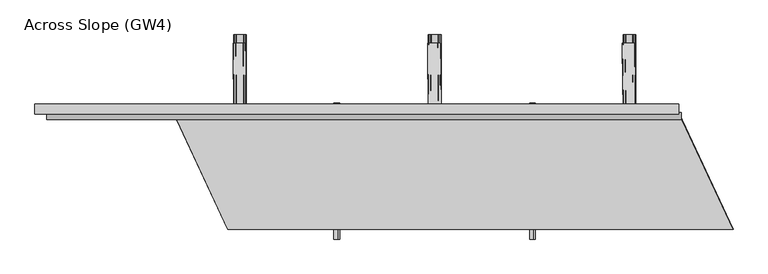
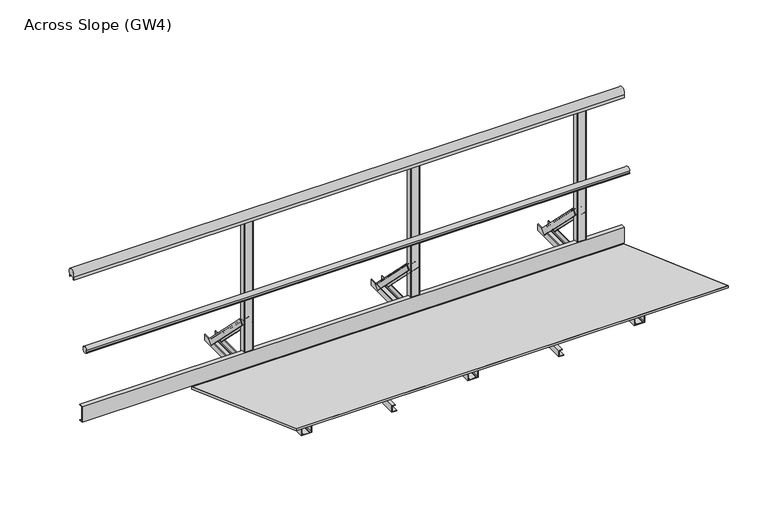
"""IFC4 building model written with IfcOpenShell, lengths in millimetres: proxy geometry, Across Slope (GW4)."""

from ifc_helpers import new_model, si_unit, point, frame, frame_2d, origin, origin_with_axes, place, context, project, spatial, polyline, circle_curve, trimmed, segment, composite_curve, outline, extrude, source, transform, mapped, element, save
from ifc_brep_helpers import plane_surface, extruded_surface, advanced_brep


def across_slope_gw4_3b74d76a(model_context):
    return source(origin(), model_context, "Body", "SolidModel", [
        extrude(outline(polyline([(622.0, 63.0), (597.0, 63.0), (597.0, 163.0), (622.0, 163.0), (622.0, 160.0), (600.0, 160.0), (600.0, 66.0), (622.0, 66.0), (622.0, 63.0)])), frame((-660.0, 0.0, 0.0), z_axis=(1.0, 0.0, 0.0), x_axis=(0.0, 1.0, 0.0)), (0.0, 0.0, 1.0), 3252.9381096),
        extrude(outline(composite_curve([segment(polyline([(565.7, 520.617273), (569.7, 520.617273), (569.7, 535.382727), (565.7, 535.382727)]), True, "CONTINUOUS"), segment(trimmed(circle_curve(frame_2d((584.287505, 528.0)), 20.0), [point((565.7, 535.382727))], [point((600.0, 540.3740657))], False, "CARTESIAN"), True, "CONTINUOUS"), segment(polyline([(600.0, 540.3740657), (600.0, 515.6259343)]), True, "CONTINUOUS"), segment(trimmed(circle_curve(frame_2d((584.287505, 528.0)), 20.0), [point((600.0, 515.6259343))], [point((565.7, 520.617273))], False, "CARTESIAN"), True, "CONTINUOUS")], self_intersect=False)), frame((-650.0, 0.0, 0.0), z_axis=(1.0, 0.0, 0.0), x_axis=(0.0, 1.0, 0.0)), (0.0, 0.0, 1.0), 3257.9381096),
        extrude(outline(composite_curve([segment(polyline([(640.0, 1001.43534), (640.0, 983.0), (639.0, 983.0), (639.0, 998.0), (599.0, 998.0), (599.0, 983.0), (598.0, 983.0), (598.0, 1001.43534)]), True, "CONTINUOUS"), segment(trimmed(circle_curve(frame_2d((619.0, 1015.0)), 25.0), [point((598.0, 1001.43534))], [point((640.0, 1001.43534))], False, "CARTESIAN"), True, "CONTINUOUS")], self_intersect=False)), frame((-710.0, 0.0, 0.0), z_axis=(1.0, 0.0, 0.0), x_axis=(0.0, 1.0, 0.0)), (0.0, 0.0, 1.0), 3302.9381096),
        extrude(outline(polyline([(2e-07, 1858.2035822), (2.0000002, 1858.2035822), (2.0000002, 1830.2035822), (38.0000002, 1830.2035822), (38.0000002, 1848.2035822), (40.0000002, 1848.2035822), (40.0000002, 1828.2035822), (2e-07, 1828.2035822), (2e-07, 1858.2035822)])), frame((0.0, -50.0, 0.0), z_axis=(0.0, 1.0, 0.0), x_axis=(0.0, 0.0, 1.0)), (0.0, 0.0, 1.0), 700.0),
        extrude(outline(polyline([(2e-07, 854.7345274), (2.0000002, 854.7345274), (2.0000002, 826.7345274), (38.0000002, 826.7345274), (38.0000002, 844.7345274), (40.0000002, 844.7345274), (40.0000002, 824.7345274), (2e-07, 824.7345274), (2e-07, 854.7345274)])), frame((0.0, -50.0, 0.0), z_axis=(0.0, 1.0, 0.0), x_axis=(0.0, 0.0, 1.0)), (0.0, 0.0, 1.0), 700.0),
        extrude(outline(composite_curve([segment(polyline([(1364.4690548, 600.0), (1318.4690548, 600.0)]), True, "CONTINUOUS"), segment(trimmed(circle_curve(frame_2d((1318.4690548, 605.0)), 5.0), [point((1318.4690548, 600.0))], [point((1313.4690548, 605.0))], False, "CARTESIAN"), True, "CONTINUOUS"), segment(polyline([(1313.4690548, 605.0), (1313.4690548, 633.0)]), True, "CONTINUOUS"), segment(trimmed(circle_curve(frame_2d((1318.4690548, 633.0)), 5.0), [point((1313.4690548, 633.0))], [point((1318.4690548, 638.0))], False, "CARTESIAN"), True, "CONTINUOUS"), segment(polyline([(1318.4690548, 638.0), (1364.4690548, 638.0)]), True, "CONTINUOUS"), segment(trimmed(circle_curve(frame_2d((1364.4690548, 633.0)), 5.0), [point((1364.4690548, 638.0))], [point((1369.4690548, 633.0))], False, "CARTESIAN"), True, "CONTINUOUS"), segment(polyline([(1369.4690548, 633.0), (1369.4690548, 605.0)]), True, "CONTINUOUS"), segment(trimmed(circle_curve(frame_2d((1364.4690548, 605.0)), 5.0), [point((1369.4690548, 605.0))], [point((1364.4690548, 600.0))], False, "CARTESIAN"), True, "CONTINUOUS")], self_intersect=False)), origin_with_axes(), (0.0, 0.0, 1.0), 998.0),
        advanced_brep(
        [(1305.9690548, 956.2087394, 38.0), (1370.9690548, 956.2087394, 38.0), (1370.9690548, 930.3993419, 12.1906025), (1367.9690548, 930.3993419, 12.1906025), (1367.9690548, 954.0874191, 35.8786797), (1357.9690548, 954.0874191, 35.8786797), (1357.9690548, 952.3196521, 34.1109127), (1356.9690548, 952.3196521, 34.1109127), (1356.9690548, 954.0874191, 35.8786797), (1319.9690548, 954.0874191, 35.8786797), (1319.9690548, 952.3196521, 34.1109127), (1318.9690548, 952.3196521, 34.1109127), (1318.9690548, 954.0874191, 35.8786797), (1308.9690548, 954.0874191, 35.8786797), (1308.9690548, 930.3993419, 12.1906025), (1305.9690548, 930.3993419, 12.1906025), (1308.9690548, 638.0106879, 356.1980516), (1308.9690548, 612.2012904, 330.3886541), (1311.9690548, 612.2012904, 330.3886541), (1311.9690548, 635.8893676, 354.0767312), (1321.9690548, 635.8893676, 354.0767312), (1321.9690548, 634.1216006, 352.3089643), (1322.9690548, 634.1216006, 352.3089643), (1322.9690548, 635.8893676, 354.0767312), (1359.9690548, 635.8893676, 354.0767312), (1359.9690548, 634.1216006, 352.3089643), (1360.9690548, 634.1216006, 352.3089643), (1360.9690548, 635.8893676, 354.0767312), (1370.9690548, 635.8893676, 354.0767312), (1370.9690548, 612.2012904, 330.3886541), (1373.9690548, 612.2012904, 330.3886541), (1373.9690548, 638.0106879, 356.1980516)],
        [
            (0, 1),
            (1, 2),
            (2, 3, circle_curve(frame((1369.4690548, 930.3993419, 12.1906025), z_axis=(0.0, 0.7071067811865434, -0.7071067811865518), x_axis=(0.0, -0.7071067811865518, -0.7071067811865434)), 1.5)),
            (3, 4),
            (4, 5),
            (5, 6),
            (6, 7, circle_curve(frame((1357.4690548, 952.3196521, 34.1109127), z_axis=(0.0, 0.7071067811865434, -0.7071067811865518), x_axis=(0.0, -0.7071067811865518, -0.7071067811865434)), 0.5)),
            (7, 8),
            (8, 9),
            (9, 10),
            (10, 11, circle_curve(frame((1319.4690548, 952.3196521, 34.1109127), z_axis=(0.0, 0.7071067811865434, -0.7071067811865518), x_axis=(0.0, -0.7071067811865518, -0.7071067811865434)), 0.5)),
            (11, 12),
            (12, 13),
            (13, 14),
            (14, 15, circle_curve(frame((1307.4690548, 930.3993419, 12.1906025), z_axis=(0.0, 0.7071067811865434, -0.7071067811865518), x_axis=(0.0, -0.7071067811865518, -0.7071067811865434)), 1.5)),
            (15, 0),
            (16, 17),
            (17, 18, circle_curve(frame((1310.4690548, 612.2012904, 330.3886541), z_axis=(0.0, -0.7071067811865434, 0.7071067811865518), x_axis=(0.0, -0.7071067811865518, -0.7071067811865434)), 1.5)),
            (18, 19),
            (19, 20),
            (20, 21),
            (21, 22, circle_curve(frame((1322.4690548, 634.1216006, 352.3089643), z_axis=(0.0, -0.7071067811865434, 0.7071067811865518), x_axis=(0.0, -0.7071067811865518, -0.7071067811865434)), 0.5)),
            (22, 23),
            (23, 24),
            (24, 25),
            (25, 26, circle_curve(frame((1360.4690548, 634.1216006, 352.3089643), z_axis=(0.0, -0.7071067811865434, 0.7071067811865518), x_axis=(0.0, -0.7071067811865518, -0.7071067811865434)), 0.5)),
            (26, 27),
            (27, 28),
            (28, 29),
            (29, 30, circle_curve(frame((1372.4690548, 612.2012904, 330.3886541), z_axis=(0.0, -0.7071067811865434, 0.7071067811865518), x_axis=(0.0, -0.7071067811865518, -0.7071067811865434)), 1.5)),
            (30, 31),
            (31, 16),
            (16, 0),
            (15, 17),
            (14, 18),
            (13, 19),
            (12, 20),
            (11, 21),
            (10, 22),
            (9, 23),
            (8, 24),
            (7, 25),
            (6, 26),
            (5, 27),
            (4, 28),
            (3, 29),
            (2, 30),
            (1, 31),
        ],
        [
            plane_surface(frame((1338.4690548, 947.9886231, 29.7798837), z_axis=(0.0, 0.7071067811865431, -0.7071067811865519), x_axis=(0.0, -0.7071067811865519, -0.7071067811865431))),
            plane_surface(frame((1341.4690548, 629.7905716, 347.9779352), z_axis=(0.0, -0.7071067811865432, 0.7071067811865518), x_axis=(0.0, -0.7071067811865518, -0.7071067811865432))),
            plane_surface(frame((1308.9690548, 625.1059891, 343.2933528), z_axis=(-0.9999777785184911, -0.004713940454842056, 0.00471394045484199), x_axis=(0.0, -0.7071067811865519, -0.7071067811865431))),
            extruded_surface(trimmed(circle_curve(frame((1307.4690548, 930.3993419, 12.1906025), z_axis=(0.0, -0.7071067811865434, 0.7071067811865518), x_axis=(0.0, -0.7071067811865518, -0.7071067811865434)), 1.5), [point((1305.9690548, 930.3993419, 12.1906025))], [point((1308.9690548, 930.3993419, 12.1906025))], True, "CARTESIAN"), (3.0, -318.1980515, 318.1980516), 450.0099999115941),
            plane_surface(frame((1311.9690548, 624.045329, 342.2326926), z_axis=(0.9999777785184913, 0.004713940454842056, -0.004713940454841989), x_axis=(0.0, 0.707106781186552, 0.7071067811865432))),
            plane_surface(frame((1316.9690548, 635.8893676, 354.0767312), z_axis=(0.0, -0.7071067811865522, -0.7071067811865428), x_axis=(1.0, 0.0, 0.0))),
            plane_surface(frame((1321.9690548, 635.0054841, 353.1928478), z_axis=(-0.9999777785184911, -0.004713940454842032, 0.004713940454842015), x_axis=(0.0, -0.7071067811865557, -0.7071067811865394))),
            extruded_surface(trimmed(circle_curve(frame((1319.4690548, 952.3196521, 34.1109127), z_axis=(0.0, -0.7071067811865434, 0.7071067811865518), x_axis=(0.0, -0.7071067811865518, -0.7071067811865434)), 0.5), [point((1318.9690548, 952.3196521, 34.1109127))], [point((1319.9690548, 952.3196521, 34.1109127))], True, "CARTESIAN"), (3.0, -318.1980515, 318.1980516), 450.0099999115941),
            plane_surface(frame((1322.9690548, 635.0054841, 353.1928478), z_axis=(0.9999777785184911, 0.004713940454842046, -0.004713940454842029), x_axis=(0.0, 0.7071067811865557, 0.7071067811865394))),
            plane_surface(frame((1341.4690548, 635.8893676, 354.0767312), z_axis=(0.0, -0.7071067811865522, -0.7071067811865428), x_axis=(1.0, 0.0, 0.0))),
            plane_surface(frame((1359.9690548, 635.0054841, 353.1928478), z_axis=(-0.9999777785184911, -0.004713940454842039, 0.004713940454842022), x_axis=(0.0, -0.7071067811865557, -0.7071067811865394))),
            extruded_surface(trimmed(circle_curve(frame((1357.4690548, 952.3196521, 34.1109127), z_axis=(0.0, -0.7071067811865434, 0.7071067811865518), x_axis=(0.0, -0.7071067811865518, -0.7071067811865434)), 0.5), [point((1356.9690548, 952.3196521, 34.1109127))], [point((1357.9690548, 952.3196521, 34.1109127))], True, "CARTESIAN"), (3.0, -318.1980515, 318.1980516), 450.0099999115941),
            plane_surface(frame((1360.9690548, 635.0054841, 353.1928478), z_axis=(0.9999777785184911, 0.004713940454842066, -0.004713940454841993), x_axis=(0.0, 0.7071067811865515, 0.7071067811865436))),
            plane_surface(frame((1365.9690548, 635.8893676, 354.0767312), z_axis=(0.0, -0.707106781186552, -0.707106781186543), x_axis=(1.0, 0.0, 0.0))),
            plane_surface(frame((1370.9690548, 624.045329, 342.2326926), z_axis=(-0.9999777785184913, -0.004713940454842063, 0.004713940454841996), x_axis=(0.0, -0.707106781186552, -0.7071067811865432))),
            extruded_surface(trimmed(circle_curve(frame((1369.4690548, 930.3993419, 12.1906025), z_axis=(0.0, -0.7071067811865434, 0.7071067811865518), x_axis=(0.0, -0.7071067811865518, -0.7071067811865434)), 1.5), [point((1367.9690548, 930.3993419, 12.1906025))], [point((1370.9690548, 930.3993419, 12.1906025))], True, "CARTESIAN"), (3.0, -318.1980515, 318.1980516), 450.0099999115941),
            plane_surface(frame((1373.9690548, 625.1059891, 343.2933528), z_axis=(0.9999777785184911, 0.004713940454842065, -0.0047139404548419955), x_axis=(0.0, 0.7071067811865517, 0.7071067811865434))),
            plane_surface(frame((1341.4690548, 638.0106879, 356.1980516), z_axis=(0.0, 0.7071067811865523, 0.7071067811865427), x_axis=(-1.0, 0.0, 0.0))),
        ],
        [
            (0, [[1, 2, 3, 4, 5, 6, 7, 8, 9, 10, 11, 12, 13, 14, 15, 16]]),
            (1, [[17, 18, 19, 20, 21, 22, 23, 24, 25, 26, 27, 28, 29, 30, 31, 32]]),
            (2, [[33, -16, 34, -17]]),
            (3, [[-34, -15, 35, -18]]),
            (4, [[-35, -14, 36, -19]]),
            (5, [[-36, -13, 37, -20]]),
            (6, [[-37, -12, 38, -21]]),
            (7, [[-38, -11, 39, -22]]),
            (8, [[-39, -10, 40, -23]]),
            (9, [[-40, -9, 41, -24]]),
            (10, [[-41, -8, 42, -25]]),
            (11, [[-42, -7, 43, -26]]),
            (12, [[-43, -6, 44, -27]]),
            (13, [[-44, -5, 45, -28]]),
            (14, [[-45, -4, 46, -29]]),
            (15, [[-46, -3, 47, -30]]),
            (16, [[-47, -2, 48, -31]]),
            (17, [[-48, -1, -33, -32]]),
        ],
    ),
        extrude(outline(composite_curve([segment(polyline([(0.0, 1308.9690548), (0.0, 1373.9690548), (36.5, 1373.9690548)]), True, "CONTINUOUS"), segment(trimmed(circle_curve(frame_2d((36.5, 1372.4690548)), 1.5), [point((36.5, 1373.9690548))], [point((36.5, 1370.9690548))], False, "CARTESIAN"), True, "CONTINUOUS"), segment(polyline([(36.5, 1370.9690548), (3.0, 1370.9690548), (3.0, 1360.9690548), (5.5, 1360.9690548)]), True, "CONTINUOUS"), segment(trimmed(circle_curve(frame_2d((5.5, 1360.4690548)), 0.5), [point((5.5, 1360.9690548))], [point((5.5, 1359.9690548))], False, "CARTESIAN"), True, "CONTINUOUS"), segment(polyline([(5.5, 1359.9690548), (3.0, 1359.9690548), (3.0, 1322.9690548), (5.5, 1322.9690548)]), True, "CONTINUOUS"), segment(trimmed(circle_curve(frame_2d((5.5, 1322.4690548)), 0.5), [point((5.5, 1322.9690548))], [point((5.5, 1321.9690548))], False, "CARTESIAN"), True, "CONTINUOUS"), segment(polyline([(5.5, 1321.9690548), (3.0, 1321.9690548), (3.0, 1311.9690548), (36.5, 1311.9690548)]), True, "CONTINUOUS"), segment(trimmed(circle_curve(frame_2d((36.5, 1310.4690548)), 1.5), [point((36.5, 1311.9690548))], [point((36.5, 1308.9690548))], False, "CARTESIAN"), True, "CONTINUOUS"), segment(polyline([(36.5, 1308.9690548), (0.0, 1308.9690548)]), True, "CONTINUOUS")], self_intersect=False)), frame((0.0, 0.0, 0.0), z_axis=(0.0, 1.0, 0.0), x_axis=(0.0, 0.0, 1.0)), (0.0, 0.0, 1.0), 1000.0),
        extrude(outline(composite_curve([segment(polyline([(2363.4381096, 600.0), (2317.4381096, 600.0)]), True, "CONTINUOUS"), segment(trimmed(circle_curve(frame_2d((2317.4381096, 605.0)), 5.0), [point((2317.4381096, 600.0))], [point((2312.4381096, 605.0))], False, "CARTESIAN"), True, "CONTINUOUS"), segment(polyline([(2312.4381096, 605.0), (2312.4381096, 633.0)]), True, "CONTINUOUS"), segment(trimmed(circle_curve(frame_2d((2317.4381096, 633.0)), 5.0), [point((2312.4381096, 633.0))], [point((2317.4381096, 638.0))], False, "CARTESIAN"), True, "CONTINUOUS"), segment(polyline([(2317.4381096, 638.0), (2363.4381096, 638.0)]), True, "CONTINUOUS"), segment(trimmed(circle_curve(frame_2d((2363.4381096, 633.0)), 5.0), [point((2363.4381096, 638.0))], [point((2368.4381096, 633.0))], False, "CARTESIAN"), True, "CONTINUOUS"), segment(polyline([(2368.4381096, 633.0), (2368.4381096, 605.0)]), True, "CONTINUOUS"), segment(trimmed(circle_curve(frame_2d((2363.4381096, 605.0)), 5.0), [point((2368.4381096, 605.0))], [point((2363.4381096, 600.0))], False, "CARTESIAN"), True, "CONTINUOUS")], self_intersect=False)), origin_with_axes(), (0.0, 0.0, 1.0), 998.0),
        advanced_brep(
        [(2304.9381096, 956.2087394, 38.0), (2369.9381096, 956.2087394, 38.0), (2369.9381096, 930.3993419, 12.1906025), (2366.9381096, 930.3993419, 12.1906025), (2366.9381096, 954.0874191, 35.8786797), (2356.9381096, 954.0874191, 35.8786797), (2356.9381096, 952.3196521, 34.1109127), (2355.9381096, 952.3196521, 34.1109127), (2355.9381096, 954.0874191, 35.8786797), (2318.9381096, 954.0874191, 35.8786797), (2318.9381096, 952.3196521, 34.1109127), (2317.9381096, 952.3196521, 34.1109127), (2317.9381096, 954.0874191, 35.8786797), (2307.9381096, 954.0874191, 35.8786797), (2307.9381096, 930.3993419, 12.1906025), (2304.9381096, 930.3993419, 12.1906025), (2307.9381096, 638.0106879, 356.1980516), (2307.9381096, 612.2012904, 330.3886541), (2310.9381096, 612.2012904, 330.3886541), (2310.9381096, 635.8893676, 354.0767312), (2320.9381096, 635.8893676, 354.0767312), (2320.9381096, 634.1216006, 352.3089643), (2321.9381096, 634.1216006, 352.3089643), (2321.9381096, 635.8893676, 354.0767312), (2358.9381096, 635.8893676, 354.0767312), (2358.9381096, 634.1216006, 352.3089643), (2359.9381096, 634.1216006, 352.3089643), (2359.9381096, 635.8893676, 354.0767312), (2369.9381096, 635.8893676, 354.0767312), (2369.9381096, 612.2012904, 330.3886541), (2372.9381096, 612.2012904, 330.3886541), (2372.9381096, 638.0106879, 356.1980516)],
        [
            (0, 1),
            (1, 2),
            (2, 3, circle_curve(frame((2368.4381096, 930.3993419, 12.1906025), z_axis=(0.0, 0.7071067811865434, -0.7071067811865518), x_axis=(0.0, -0.7071067811865518, -0.7071067811865434)), 1.5)),
            (3, 4),
            (4, 5),
            (5, 6),
            (6, 7, circle_curve(frame((2356.4381096, 952.3196521, 34.1109127), z_axis=(0.0, 0.7071067811865434, -0.7071067811865518), x_axis=(0.0, -0.7071067811865518, -0.7071067811865434)), 0.5)),
            (7, 8),
            (8, 9),
            (9, 10),
            (10, 11, circle_curve(frame((2318.4381096, 952.3196521, 34.1109127), z_axis=(0.0, 0.7071067811865434, -0.7071067811865518), x_axis=(0.0, -0.7071067811865518, -0.7071067811865434)), 0.5)),
            (11, 12),
            (12, 13),
            (13, 14),
            (14, 15, circle_curve(frame((2306.4381096, 930.3993419, 12.1906025), z_axis=(0.0, 0.7071067811865434, -0.7071067811865518), x_axis=(0.0, -0.7071067811865518, -0.7071067811865434)), 1.5)),
            (15, 0),
            (16, 17),
            (17, 18, circle_curve(frame((2309.4381096, 612.2012904, 330.3886541), z_axis=(0.0, -0.7071067811865434, 0.7071067811865518), x_axis=(0.0, -0.7071067811865518, -0.7071067811865434)), 1.5)),
            (18, 19),
            (19, 20),
            (20, 21),
            (21, 22, circle_curve(frame((2321.4381096, 634.1216006, 352.3089643), z_axis=(0.0, -0.7071067811865434, 0.7071067811865518), x_axis=(0.0, -0.7071067811865518, -0.7071067811865434)), 0.5)),
            (22, 23),
            (23, 24),
            (24, 25),
            (25, 26, circle_curve(frame((2359.4381096, 634.1216006, 352.3089643), z_axis=(0.0, -0.7071067811865434, 0.7071067811865518), x_axis=(0.0, -0.7071067811865518, -0.7071067811865434)), 0.5)),
            (26, 27),
            (27, 28),
            (28, 29),
            (29, 30, circle_curve(frame((2371.4381096, 612.2012904, 330.3886541), z_axis=(0.0, -0.7071067811865434, 0.7071067811865518), x_axis=(0.0, -0.7071067811865518, -0.7071067811865434)), 1.5)),
            (30, 31),
            (31, 16),
            (16, 0),
            (15, 17),
            (14, 18),
            (13, 19),
            (12, 20),
            (11, 21),
            (10, 22),
            (9, 23),
            (8, 24),
            (7, 25),
            (6, 26),
            (5, 27),
            (4, 28),
            (3, 29),
            (2, 30),
            (1, 31),
        ],
        [
            plane_surface(frame((2337.4381096, 947.9886231, 29.7798837), z_axis=(0.0, 0.7071067811865431, -0.7071067811865519), x_axis=(0.0, -0.7071067811865519, -0.7071067811865431))),
            plane_surface(frame((2340.4381096, 629.7905716, 347.9779352), z_axis=(0.0, -0.7071067811865432, 0.7071067811865518), x_axis=(0.0, -0.7071067811865518, -0.7071067811865432))),
            plane_surface(frame((2307.9381096, 625.1059891, 343.2933528), z_axis=(-0.9999777785184911, -0.004713940454842056, 0.00471394045484199), x_axis=(0.0, -0.7071067811865519, -0.7071067811865431))),
            extruded_surface(trimmed(circle_curve(frame((2306.4381096, 930.3993419, 12.1906025), z_axis=(0.0, -0.7071067811865434, 0.7071067811865518), x_axis=(0.0, -0.7071067811865518, -0.7071067811865434)), 1.5), [point((2304.9381096, 930.3993419, 12.1906025))], [point((2307.9381096, 930.3993419, 12.1906025))], True, "CARTESIAN"), (3.0, -318.1980515, 318.1980516), 450.0099999115941),
            plane_surface(frame((2310.9381096, 624.045329, 342.2326926), z_axis=(0.9999777785184913, 0.004713940454842056, -0.004713940454841989), x_axis=(0.0, 0.707106781186552, 0.7071067811865432))),
            plane_surface(frame((2315.9381096, 635.8893676, 354.0767312), z_axis=(0.0, -0.7071067811865522, -0.7071067811865428), x_axis=(1.0, 0.0, 0.0))),
            plane_surface(frame((2320.9381096, 635.0054841, 353.1928478), z_axis=(-0.9999777785184911, -0.004713940454842032, 0.004713940454842015), x_axis=(0.0, -0.7071067811865557, -0.7071067811865394))),
            extruded_surface(trimmed(circle_curve(frame((2318.4381096, 952.3196521, 34.1109127), z_axis=(0.0, -0.7071067811865434, 0.7071067811865518), x_axis=(0.0, -0.7071067811865518, -0.7071067811865434)), 0.5), [point((2317.9381096, 952.3196521, 34.1109127))], [point((2318.9381096, 952.3196521, 34.1109127))], True, "CARTESIAN"), (3.0, -318.1980515, 318.1980516), 450.0099999115941),
            plane_surface(frame((2321.9381096, 635.0054841, 353.1928478), z_axis=(0.9999777785184911, 0.004713940454842046, -0.004713940454842029), x_axis=(0.0, 0.7071067811865557, 0.7071067811865394))),
            plane_surface(frame((2340.4381096, 635.8893676, 354.0767312), z_axis=(0.0, -0.7071067811865522, -0.7071067811865428), x_axis=(1.0, 0.0, 0.0))),
            plane_surface(frame((2358.9381096, 635.0054841, 353.1928478), z_axis=(-0.9999777785184911, -0.004713940454842039, 0.004713940454842022), x_axis=(0.0, -0.7071067811865557, -0.7071067811865394))),
            extruded_surface(trimmed(circle_curve(frame((2356.4381096, 952.3196521, 34.1109127), z_axis=(0.0, -0.7071067811865434, 0.7071067811865518), x_axis=(0.0, -0.7071067811865518, -0.7071067811865434)), 0.5), [point((2355.9381096, 952.3196521, 34.1109127))], [point((2356.9381096, 952.3196521, 34.1109127))], True, "CARTESIAN"), (3.0, -318.1980515, 318.1980516), 450.0099999115941),
            plane_surface(frame((2359.9381096, 635.0054841, 353.1928478), z_axis=(0.9999777785184911, 0.004713940454842066, -0.004713940454841993), x_axis=(0.0, 0.7071067811865515, 0.7071067811865436))),
            plane_surface(frame((2364.9381096, 635.8893676, 354.0767312), z_axis=(0.0, -0.707106781186552, -0.707106781186543), x_axis=(1.0, 0.0, 0.0))),
            plane_surface(frame((2369.9381096, 624.045329, 342.2326926), z_axis=(-0.9999777785184913, -0.004713940454842063, 0.004713940454841996), x_axis=(0.0, -0.707106781186552, -0.7071067811865432))),
            extruded_surface(trimmed(circle_curve(frame((2368.4381096, 930.3993419, 12.1906025), z_axis=(0.0, -0.7071067811865434, 0.7071067811865518), x_axis=(0.0, -0.7071067811865518, -0.7071067811865434)), 1.5), [point((2366.9381096, 930.3993419, 12.1906025))], [point((2369.9381096, 930.3993419, 12.1906025))], True, "CARTESIAN"), (3.0, -318.1980515, 318.1980516), 450.0099999115941),
            plane_surface(frame((2372.9381096, 625.1059891, 343.2933528), z_axis=(0.9999777785184911, 0.004713940454842065, -0.0047139404548419955), x_axis=(0.0, 0.7071067811865517, 0.7071067811865434))),
            plane_surface(frame((2340.4381096, 638.0106879, 356.1980516), z_axis=(0.0, 0.7071067811865523, 0.7071067811865427), x_axis=(-1.0, 0.0, 0.0))),
        ],
        [
            (0, [[1, 2, 3, 4, 5, 6, 7, 8, 9, 10, 11, 12, 13, 14, 15, 16]]),
            (1, [[17, 18, 19, 20, 21, 22, 23, 24, 25, 26, 27, 28, 29, 30, 31, 32]]),
            (2, [[33, -16, 34, -17]]),
            (3, [[-34, -15, 35, -18]]),
            (4, [[-35, -14, 36, -19]]),
            (5, [[-36, -13, 37, -20]]),
            (6, [[-37, -12, 38, -21]]),
            (7, [[-38, -11, 39, -22]]),
            (8, [[-39, -10, 40, -23]]),
            (9, [[-40, -9, 41, -24]]),
            (10, [[-41, -8, 42, -25]]),
            (11, [[-42, -7, 43, -26]]),
            (12, [[-43, -6, 44, -27]]),
            (13, [[-44, -5, 45, -28]]),
            (14, [[-45, -4, 46, -29]]),
            (15, [[-46, -3, 47, -30]]),
            (16, [[-47, -2, 48, -31]]),
            (17, [[-48, -1, -33, -32]]),
        ],
    ),
        extrude(outline(composite_curve([segment(polyline([(0.0, 2307.9381096), (0.0, 2372.9381096), (36.5, 2372.9381096)]), True, "CONTINUOUS"), segment(trimmed(circle_curve(frame_2d((36.5, 2371.4381096)), 1.5), [point((36.5, 2372.9381096))], [point((36.5, 2369.9381096))], False, "CARTESIAN"), True, "CONTINUOUS"), segment(polyline([(36.5, 2369.9381096), (3.0, 2369.9381096), (3.0, 2359.9381096), (5.5, 2359.9381096)]), True, "CONTINUOUS"), segment(trimmed(circle_curve(frame_2d((5.5, 2359.4381096)), 0.5), [point((5.5, 2359.9381096))], [point((5.5, 2358.9381096))], False, "CARTESIAN"), True, "CONTINUOUS"), segment(polyline([(5.5, 2358.9381096), (3.0, 2358.9381096), (3.0, 2321.9381096), (5.5, 2321.9381096)]), True, "CONTINUOUS"), segment(trimmed(circle_curve(frame_2d((5.5, 2321.4381096)), 0.5), [point((5.5, 2321.9381096))], [point((5.5, 2320.9381096))], False, "CARTESIAN"), True, "CONTINUOUS"), segment(polyline([(5.5, 2320.9381096), (3.0, 2320.9381096), (3.0, 2310.9381096), (36.5, 2310.9381096)]), True, "CONTINUOUS"), segment(trimmed(circle_curve(frame_2d((36.5, 2309.4381096)), 1.5), [point((36.5, 2310.9381096))], [point((36.5, 2307.9381096))], False, "CARTESIAN"), True, "CONTINUOUS"), segment(polyline([(36.5, 2307.9381096), (0.0, 2307.9381096)]), True, "CONTINUOUS")], self_intersect=False)), frame((0.0, 0.0, 0.0), z_axis=(0.0, 1.0, 0.0), x_axis=(0.0, 0.0, 1.0)), (0.0, 0.0, 1.0), 1000.0),
        extrude(outline(composite_curve([segment(polyline([(365.5, 600.0), (319.5, 600.0)]), True, "CONTINUOUS"), segment(trimmed(circle_curve(frame_2d((319.5, 605.0)), 5.0), [point((319.5, 600.0))], [point((314.5, 605.0))], False, "CARTESIAN"), True, "CONTINUOUS"), segment(polyline([(314.5, 605.0), (314.5, 633.0)]), True, "CONTINUOUS"), segment(trimmed(circle_curve(frame_2d((319.5, 633.0)), 5.0), [point((314.5, 633.0))], [point((319.5, 638.0))], False, "CARTESIAN"), True, "CONTINUOUS"), segment(polyline([(319.5, 638.0), (365.5, 638.0)]), True, "CONTINUOUS"), segment(trimmed(circle_curve(frame_2d((365.5, 633.0)), 5.0), [point((365.5, 638.0))], [point((370.5, 633.0))], False, "CARTESIAN"), True, "CONTINUOUS"), segment(polyline([(370.5, 633.0), (370.5, 605.0)]), True, "CONTINUOUS"), segment(trimmed(circle_curve(frame_2d((365.5, 605.0)), 5.0), [point((370.5, 605.0))], [point((365.5, 600.0))], False, "CARTESIAN"), True, "CONTINUOUS")], self_intersect=False)), origin_with_axes(), (0.0, 0.0, 1.0), 998.0),
        advanced_brep(
        [(307.0, 956.2087394, 38.0), (372.0, 956.2087394, 38.0), (372.0, 930.3993419, 12.1906025), (369.0, 930.3993419, 12.1906025), (369.0, 954.0874191, 35.8786797), (359.0, 954.0874191, 35.8786797), (359.0, 952.3196521, 34.1109127), (358.0, 952.3196521, 34.1109127), (358.0, 954.0874191, 35.8786797), (321.0, 954.0874191, 35.8786797), (321.0, 952.3196521, 34.1109127), (320.0, 952.3196521, 34.1109127), (320.0, 954.0874191, 35.8786797), (310.0, 954.0874191, 35.8786797), (310.0, 930.3993419, 12.1906025), (307.0, 930.3993419, 12.1906025), (310.0, 638.0106879, 356.1980515), (310.0, 612.2012904, 330.388654), (313.0, 612.2012904, 330.388654), (313.0, 635.8893676, 354.0767312), (323.0, 635.8893676, 354.0767312), (323.0, 634.1216006, 352.3089642), (324.0, 634.1216006, 352.3089642), (324.0, 635.8893676, 354.0767312), (361.0, 635.8893676, 354.0767312), (361.0, 634.1216006, 352.3089642), (362.0, 634.1216006, 352.3089642), (362.0, 635.8893676, 354.0767312), (372.0, 635.8893676, 354.0767312), (372.0, 612.2012904, 330.388654), (375.0, 612.2012904, 330.388654), (375.0, 638.0106879, 356.1980515)],
        [
            (0, 1),
            (1, 2),
            (2, 3, circle_curve(frame((370.5, 930.3993419, 12.1906025), z_axis=(0.0, 0.7071067811865434, -0.7071067811865518), x_axis=(0.0, -0.7071067811865518, -0.7071067811865434)), 1.5)),
            (3, 4),
            (4, 5),
            (5, 6),
            (6, 7, circle_curve(frame((358.5, 952.3196521, 34.1109127), z_axis=(0.0, 0.7071067811865434, -0.7071067811865518), x_axis=(0.0, -0.7071067811865518, -0.7071067811865434)), 0.5)),
            (7, 8),
            (8, 9),
            (9, 10),
            (10, 11, circle_curve(frame((320.5, 952.3196521, 34.1109127), z_axis=(0.0, 0.7071067811865434, -0.7071067811865518), x_axis=(0.0, -0.7071067811865518, -0.7071067811865434)), 0.5)),
            (11, 12),
            (12, 13),
            (13, 14),
            (14, 15, circle_curve(frame((308.5, 930.3993419, 12.1906025), z_axis=(0.0, 0.7071067811865434, -0.7071067811865518), x_axis=(0.0, -0.7071067811865518, -0.7071067811865434)), 1.5)),
            (15, 0),
            (16, 17),
            (17, 18, circle_curve(frame((311.5, 612.2012904, 330.388654), z_axis=(0.0, -0.7071067811865434, 0.7071067811865518), x_axis=(0.0, -0.7071067811865518, -0.7071067811865434)), 1.5)),
            (18, 19),
            (19, 20),
            (20, 21),
            (21, 22, circle_curve(frame((323.5, 634.1216006, 352.3089642), z_axis=(0.0, -0.7071067811865434, 0.7071067811865518), x_axis=(0.0, -0.7071067811865518, -0.7071067811865434)), 0.5)),
            (22, 23),
            (23, 24),
            (24, 25),
            (25, 26, circle_curve(frame((361.5, 634.1216006, 352.3089642), z_axis=(0.0, -0.7071067811865434, 0.7071067811865518), x_axis=(0.0, -0.7071067811865518, -0.7071067811865434)), 0.5)),
            (26, 27),
            (27, 28),
            (28, 29),
            (29, 30, circle_curve(frame((373.5, 612.2012904, 330.388654), z_axis=(0.0, -0.7071067811865434, 0.7071067811865518), x_axis=(0.0, -0.7071067811865518, -0.7071067811865434)), 1.5)),
            (30, 31),
            (31, 16),
            (16, 0),
            (15, 17),
            (14, 18),
            (13, 19),
            (12, 20),
            (11, 21),
            (10, 22),
            (9, 23),
            (8, 24),
            (7, 25),
            (6, 26),
            (5, 27),
            (4, 28),
            (3, 29),
            (2, 30),
            (1, 31),
        ],
        [
            plane_surface(frame((339.5, 947.9886231, 29.7798837), z_axis=(0.0, 0.7071067811865431, -0.7071067811865519), x_axis=(0.0, -0.7071067811865519, -0.7071067811865431))),
            plane_surface(frame((342.5, 629.7905716, 347.9779352), z_axis=(0.0, -0.7071067811865432, 0.7071067811865518), x_axis=(0.0, -0.7071067811865518, -0.7071067811865432))),
            plane_surface(frame((310.0, 625.1059891, 343.2933528), z_axis=(-0.9999777785184911, -0.004713940454842056, 0.00471394045484199), x_axis=(0.0, -0.7071067811865519, -0.7071067811865431))),
            extruded_surface(trimmed(circle_curve(frame((308.5, 930.3993419, 12.1906025), z_axis=(0.0, -0.7071067811865434, 0.7071067811865518), x_axis=(0.0, -0.7071067811865518, -0.7071067811865434)), 1.5), [point((307.0, 930.3993419, 12.1906025))], [point((310.0, 930.3993419, 12.1906025))], True, "CARTESIAN"), (3.0, -318.1980515, 318.19805149999996), 450.009999840885),
            plane_surface(frame((313.0, 624.045329, 342.2326926), z_axis=(0.9999777785184913, 0.004713940454842056, -0.004713940454841989), x_axis=(0.0, 0.707106781186552, 0.7071067811865432))),
            plane_surface(frame((318.0, 635.8893676, 354.0767312), z_axis=(0.0, -0.7071067811865522, -0.7071067811865428), x_axis=(1.0, 0.0, 0.0))),
            plane_surface(frame((323.0, 635.0054841, 353.1928477), z_axis=(-0.9999777785184911, -0.004713940454842032, 0.004713940454842015), x_axis=(0.0, -0.7071067811865557, -0.7071067811865394))),
            extruded_surface(trimmed(circle_curve(frame((320.5, 952.3196521, 34.1109127), z_axis=(0.0, -0.7071067811865434, 0.7071067811865518), x_axis=(0.0, -0.7071067811865518, -0.7071067811865434)), 0.5), [point((320.0, 952.3196521, 34.1109127))], [point((321.0, 952.3196521, 34.1109127))], True, "CARTESIAN"), (3.0, -318.1980515, 318.1980515), 450.00999984088503),
            plane_surface(frame((324.0, 635.0054841, 353.1928477), z_axis=(0.9999777785184911, 0.004713940454842046, -0.004713940454842029), x_axis=(0.0, 0.7071067811865557, 0.7071067811865394))),
            plane_surface(frame((342.5, 635.8893676, 354.0767312), z_axis=(0.0, -0.7071067811865522, -0.7071067811865428), x_axis=(1.0, 0.0, 0.0))),
            plane_surface(frame((361.0, 635.0054841, 353.1928477), z_axis=(-0.9999777785184911, -0.004713940454842039, 0.004713940454842022), x_axis=(0.0, -0.7071067811865557, -0.7071067811865394))),
            extruded_surface(trimmed(circle_curve(frame((358.5, 952.3196521, 34.1109127), z_axis=(0.0, -0.7071067811865434, 0.7071067811865518), x_axis=(0.0, -0.7071067811865518, -0.7071067811865434)), 0.5), [point((358.0, 952.3196521, 34.1109127))], [point((359.0, 952.3196521, 34.1109127))], True, "CARTESIAN"), (3.0, -318.1980515, 318.1980515), 450.00999984088503),
            plane_surface(frame((362.0, 635.0054841, 353.1928477), z_axis=(0.9999777785184911, 0.004713940454842066, -0.004713940454841993), x_axis=(0.0, 0.7071067811865515, 0.7071067811865436))),
            plane_surface(frame((367.0, 635.8893676, 354.0767312), z_axis=(0.0, -0.707106781186552, -0.707106781186543), x_axis=(1.0, 0.0, 0.0))),
            plane_surface(frame((372.0, 624.045329, 342.2326926), z_axis=(-0.9999777785184913, -0.004713940454842063, 0.004713940454841996), x_axis=(0.0, -0.707106781186552, -0.7071067811865432))),
            extruded_surface(trimmed(circle_curve(frame((370.5, 930.3993419, 12.1906025), z_axis=(0.0, -0.7071067811865434, 0.7071067811865518), x_axis=(0.0, -0.7071067811865518, -0.7071067811865434)), 1.5), [point((369.0, 930.3993419, 12.1906025))], [point((372.0, 930.3993419, 12.1906025))], True, "CARTESIAN"), (3.0, -318.1980515, 318.19805149999996), 450.009999840885),
            plane_surface(frame((375.0, 625.1059891, 343.2933528), z_axis=(0.9999777785184911, 0.004713940454842065, -0.0047139404548419955), x_axis=(0.0, 0.7071067811865517, 0.7071067811865434))),
            plane_surface(frame((342.5, 638.0106879, 356.1980515), z_axis=(0.0, 0.7071067811865523, 0.7071067811865427), x_axis=(-1.0, 0.0, 0.0))),
        ],
        [
            (0, [[1, 2, 3, 4, 5, 6, 7, 8, 9, 10, 11, 12, 13, 14, 15, 16]]),
            (1, [[17, 18, 19, 20, 21, 22, 23, 24, 25, 26, 27, 28, 29, 30, 31, 32]]),
            (2, [[33, -16, 34, -17]]),
            (3, [[-34, -15, 35, -18]]),
            (4, [[-35, -14, 36, -19]]),
            (5, [[-36, -13, 37, -20]]),
            (6, [[-37, -12, 38, -21]]),
            (7, [[-38, -11, 39, -22]]),
            (8, [[-39, -10, 40, -23]]),
            (9, [[-40, -9, 41, -24]]),
            (10, [[-41, -8, 42, -25]]),
            (11, [[-42, -7, 43, -26]]),
            (12, [[-43, -6, 44, -27]]),
            (13, [[-44, -5, 45, -28]]),
            (14, [[-45, -4, 46, -29]]),
            (15, [[-46, -3, 47, -30]]),
            (16, [[-47, -2, 48, -31]]),
            (17, [[-48, -1, -33, -32]]),
        ],
    ),
        extrude(outline(composite_curve([segment(polyline([(0.0, 310.0), (0.0, 375.0), (36.5, 375.0)]), True, "CONTINUOUS"), segment(trimmed(circle_curve(frame_2d((36.5, 373.5)), 1.5), [point((36.5, 375.0))], [point((36.5, 372.0))], False, "CARTESIAN"), True, "CONTINUOUS"), segment(polyline([(36.5, 372.0), (3.0, 372.0), (3.0, 362.0), (5.5, 362.0)]), True, "CONTINUOUS"), segment(trimmed(circle_curve(frame_2d((5.5, 361.5)), 0.5), [point((5.5, 362.0))], [point((5.5, 361.0))], False, "CARTESIAN"), True, "CONTINUOUS"), segment(polyline([(5.5, 361.0), (3.0, 361.0), (3.0, 324.0), (5.5, 324.0)]), True, "CONTINUOUS"), segment(trimmed(circle_curve(frame_2d((5.5, 323.5)), 0.5), [point((5.5, 324.0))], [point((5.5, 323.0))], False, "CARTESIAN"), True, "CONTINUOUS"), segment(polyline([(5.5, 323.0), (3.0, 323.0), (3.0, 313.0), (36.5, 313.0)]), True, "CONTINUOUS"), segment(trimmed(circle_curve(frame_2d((36.5, 311.5)), 1.5), [point((36.5, 313.0))], [point((36.5, 310.0))], False, "CARTESIAN"), True, "CONTINUOUS"), segment(polyline([(36.5, 310.0), (0.0, 310.0)]), True, "CONTINUOUS")], self_intersect=False)), frame((0.0, 0.0, 0.0), z_axis=(0.0, 1.0, 0.0), x_axis=(0.0, 0.0, 1.0)), (0.0, 0.0, 1.0), 1000.0),
        extrude(outline(polyline([(2871.1530189, 1.0), (280.4216652, 1.0), (1.5696856, 599.0), (2592.3010393, 599.0), (2871.1530189, 1.0)])), frame((0.0, 0.0, 42.0), z_axis=(0.0, 0.0, 1.0), x_axis=(1.0, 0.0, 0.0)), (0.0, 0.0, 1.0), 13.0),
        extrude(outline(polyline([(2872.7227045, 0.0), (279.7845949, 0.0), (0.0, 600.0), (2592.9381096, 600.0), (2872.7227045, 0.0)]), holes=[polyline([(2871.1530189, 1.0), (2592.3010393, 599.0), (1.5696856, 599.0), (280.4216652, 1.0), (2871.1530189, 1.0)])]), frame((0.0, 0.0, 42.0), z_axis=(0.0, 0.0, 1.0), x_axis=(1.0, 0.0, 0.0)), (0.0, 0.0, 1.0), 13.0),
    ])


if __name__ == "__main__":
    model = new_model("IFC4")
    model_context = context("Model", 3, world=origin())
    ifc_project = project(units=[si_unit("LENGTHUNIT", "METRE", prefix="MILLI")], contexts=[model_context])
    site = spatial("IfcSite", under=ifc_project)
    building = spatial("IfcBuilding", under=site)
    placement = place(None, origin())
    across_slope_gw4_shape = across_slope_gw4_3b74d76a(model_context)
    element("IfcBuildingElementProxy", 1, Name="Across Slope (GW4)", ObjectType="Across Slope (GW4)", at=placement, inside=building, context=model_context, shape_type="MappedRepresentation", body=[
        mapped(across_slope_gw4_shape, transform((0.0, 0.0, 0.0), x_axis=(1.0, 0.0, 0.0), y_axis=(0.0, 1.0, 0.0), z_axis=(0.0, 0.0, 1.0))),
    ])
    save(model, "model.ifc")
